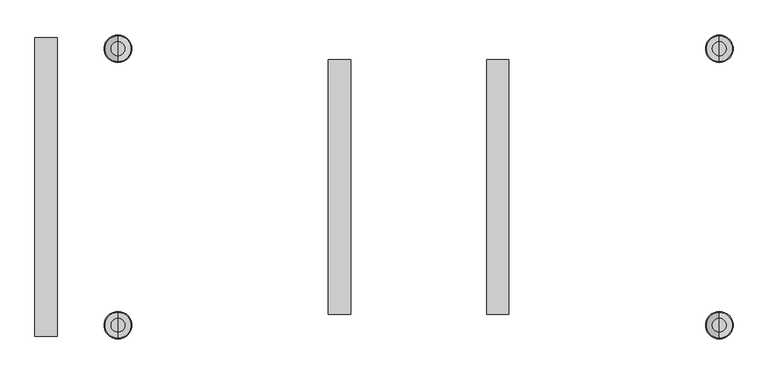
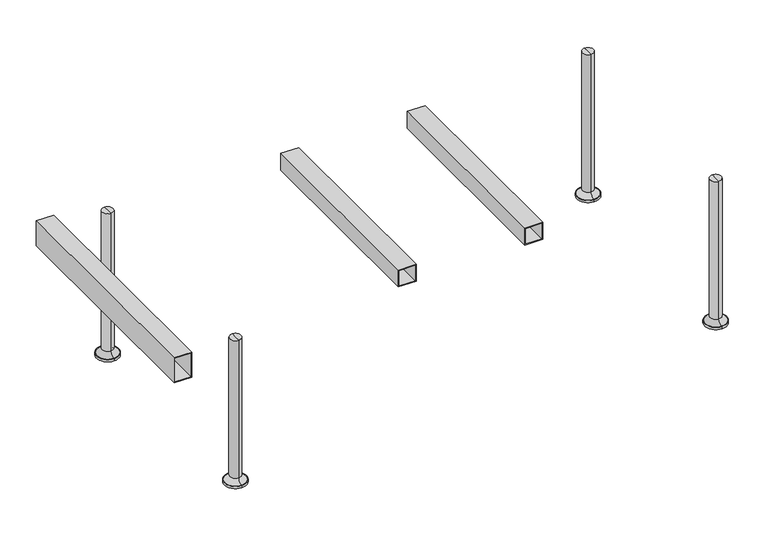
"""IFC4 building model written with IfcOpenShell, lengths in millimetres: furniture geometry."""

import ifcopenshell
import ifcopenshell.guid

model = None  # the IFC model being written
_history = None  # IfcOwnerHistory: only IFC2X3 demands one
_inside = {}  # id of a spatial element -> (the spatial element, [elements in it])
_under = {}  # id of a project, library or spatial element -> (it, [spatial elements below it])
_declared = {}  # id of a project -> (the project, [libraries it declares])
_typed = {}  # id of a type object -> (the type object, [elements of that type])
_made_of = {}  # id of a material, layer set ... -> (it, [elements and type objects made of it])


def new_model(schema):
    """Start an empty IFC model of exactly this schema.

    Asked for "IFC4X3", IfcOpenShell would pick the latest addendum, in which some entities
    have other attributes; the version numbers below select the first issue.
    IFC2X3 requires an IfcOwnerHistory on every rooted entity: one is made here for all.
    """
    global model, _history
    if schema == "IFC4X3":
        model = ifcopenshell.file(schema_version=(4, 3, 0, 0))
    else:
        model = ifcopenshell.file(schema=schema)
    _inside.clear()
    _under.clear()
    _declared.clear()
    _typed.clear()
    _made_of.clear()
    _history = None
    if model.schema == "IFC2X3":
        org = make("IfcOrganization", Name="unknown")
        user = make(
            "IfcPersonAndOrganization",
            ThePerson=make("IfcPerson", FamilyName="unknown"),
            TheOrganization=org,
        )
        app = make(
            "IfcApplication",
            ApplicationDeveloper=org,
            Version="unknown",
            ApplicationFullName="unknown",
            ApplicationIdentifier="unknown",
        )
        _history = make(
            "IfcOwnerHistory",
            OwningUser=user,
            OwningApplication=app,
            ChangeAction="ADDED",
            CreationDate=0,
        )
    return model


def make(cls, **values):
    """One entity of the class cls with the attributes given. An attribute that is None is left unset."""
    return model.create_entity(
        cls, **{name: value for name, value in values.items() if value is not None}
    )


def rooted(cls, **values):
    """An entity with a GlobalId (a new one), such as an element, a storey or a relation."""
    return make(cls, GlobalId=ifcopenshell.guid.new(), OwnerHistory=_history, **values)


def si_unit(unit_type, name, prefix=None):
    """IfcSIUnit, for example si_unit("LENGTHUNIT", "METRE", prefix="MILLI")."""
    return make("IfcSIUnit", UnitType=unit_type, Prefix=prefix, Name=name)


def assignment(units):
    """IfcUnitAssignment: the units of a project."""
    return None if units is None else make("IfcUnitAssignment", Units=units)


def point(xyz):
    """IfcCartesianPoint."""
    return None if xyz is None else make("IfcCartesianPoint", Coordinates=xyz)


def direction(xyz):
    """IfcDirection."""
    return None if xyz is None else make("IfcDirection", DirectionRatios=xyz)


def frame(location, z_axis=None, x_axis=None):
    """IfcAxis2Placement3D, a coordinate frame: its origin and axes. An axis left out is left unset."""
    return make(
        "IfcAxis2Placement3D",
        Location=point(location),
        Axis=direction(z_axis),
        RefDirection=direction(x_axis),
    )


def origin():
    """The frame at (0, 0, 0) with its axes left unset."""
    return frame((0.0, 0.0, 0.0))


def place(relative_to, where):
    """IfcLocalPlacement: puts the frame where relative to a parent placement (None: the world)."""
    return make(
        "IfcLocalPlacement", PlacementRelTo=relative_to, RelativePlacement=where
    )


def context(
    kind, dimensions, precision=None, world=None, true_north=None, identifier=None
):
    """IfcGeometricRepresentationContext, for example the 3D "Model" context."""
    return make(
        "IfcGeometricRepresentationContext",
        ContextIdentifier=identifier,
        ContextType=kind,
        CoordinateSpaceDimension=dimensions,
        Precision=precision,
        WorldCoordinateSystem=world,
        TrueNorth=true_north,
    )


def project(units=None, contexts=None):
    """IfcProject with its units and contexts."""
    return rooted(
        "IfcProject",
        Name="project",
        RepresentationContexts=contexts,
        UnitsInContext=assignment(units),
    )


def spatial(cls, under=None, at=None, **own):
    """A site, building, storey or space (cls), placed at a placement, below another one or the project."""
    s = rooted(cls, ObjectPlacement=at, **own)
    if under is not None:
        _under.setdefault(under.id(), (under, []))[1].append(s)
    return s


def polyline(points):
    """IfcPolyline through the points."""
    return make("IfcPolyline", Points=[point(p) for p in points])


def circle_curve(where, radius):
    """IfcCircle in the frame where."""
    return make("IfcCircle", Position=where, Radius=radius)


def ellipse_curve(where, semi_axis1, semi_axis2):
    """IfcEllipse in the frame where."""
    return make(
        "IfcEllipse", Position=where, SemiAxis1=semi_axis1, SemiAxis2=semi_axis2
    )


def trimmed(basis, trim1, trim2, sense, master):
    """IfcTrimmedCurve: the piece of a basis curve between two trims."""
    return make(
        "IfcTrimmedCurve",
        BasisCurve=basis,
        Trim1=trim1,
        Trim2=trim2,
        SenseAgreement=sense,
        MasterRepresentation=master,
    )


def outline(outer, holes=None, kind="AREA"):
    """IfcArbitraryClosedProfileDef: a profile drawn as a closed curve; with holes, ...WithVoids."""
    if holes is None:
        return make("IfcArbitraryClosedProfileDef", ProfileType=kind, OuterCurve=outer)
    return make(
        "IfcArbitraryProfileDefWithVoids",
        ProfileType=kind,
        OuterCurve=outer,
        InnerCurves=holes,
    )


def extrude(swept, where, along, depth):
    """IfcExtrudedAreaSolid: the profile swept, set in the frame where, extruded along a direction by depth."""
    return make(
        "IfcExtrudedAreaSolid",
        SweptArea=swept,
        Position=where,
        ExtrudedDirection=direction(along),
        Depth=depth,
    )


def shape(context_of_items, identifier, shape_type, items):
    """IfcShapeRepresentation: the items that make up one representation, for example the "Body"."""
    return make(
        "IfcShapeRepresentation",
        ContextOfItems=context_of_items,
        RepresentationIdentifier=identifier,
        RepresentationType=shape_type,
        Items=items,
    )


def source(mapping_origin, context_of_items, identifier, shape_type, items):
    """IfcRepresentationMap: a shape defined once, which mapped items show again and again."""
    return make(
        "IfcRepresentationMap",
        MappingOrigin=mapping_origin,
        MappedRepresentation=shape(context_of_items, identifier, shape_type, items),
    )


def transform(
    local_origin,
    x_axis=None,
    y_axis=None,
    z_axis=None,
    scale=None,
    scale2=None,
    scale3=None,
    uniform=True,
):
    """IfcCartesianTransformationOperator3D, or its non-uniform kind. x_axis, y_axis, z_axis: its Axis1, 2, 3."""
    if uniform:
        return make(
            "IfcCartesianTransformationOperator3D",
            Axis1=direction(x_axis),
            Axis2=direction(y_axis),
            LocalOrigin=point(local_origin),
            Scale=scale,
            Axis3=direction(z_axis),
        )
    return make(
        "IfcCartesianTransformationOperator3DnonUniform",
        Axis1=direction(x_axis),
        Axis2=direction(y_axis),
        LocalOrigin=point(local_origin),
        Scale=scale,
        Axis3=direction(z_axis),
        Scale2=scale2,
        Scale3=scale3,
    )


def mapped(mapping_source, mapping_target):
    """IfcMappedItem: shows the shape of a source again, moved by a transform."""
    return make(
        "IfcMappedItem", MappingSource=mapping_source, MappingTarget=mapping_target
    )


def made_of(thing, what):
    """Note that an element or type object is made of a material, layer set ...; save() writes the relation."""
    if what is not None:
        _made_of.setdefault(what.id(), (what, []))[1].append(thing)
    return thing


def element(
    cls,
    number,
    at=None,
    inside=None,
    cuts=None,
    type_object=None,
    material=None,
    context=None,
    identifier="Body",
    shape_type=None,
    held_by="IfcProductDefinitionShape",
    body=None,
    shapes=None,
    **own,
):
    """One element of the class cls, such as IfcWall. Its Tag is "e" and its number.

    at: its placement. inside: the storey or other place that contains it. cuts: it is an
    opening in that element (IfcRelVoidsElement). A single representation is given by context,
    identifier, shape_type and body (its items); several are given by shapes. held_by: the class
    of the entity that holds the representations. save() writes the other relations.
    """
    e = rooted(cls, Tag="e%d" % number, ObjectPlacement=at, **own)
    if body is not None:
        shapes = [shape(context, identifier, shape_type, body)]
    if shapes is not None:
        e.Representation = make(held_by, Representations=shapes)
    if inside is not None:
        _inside.setdefault(inside.id(), (inside, []))[1].append(e)
    if cuts is not None:
        rooted(
            "IfcRelVoidsElement", RelatingBuildingElement=cuts, RelatedOpeningElement=e
        )
    if type_object is not None:
        _typed.setdefault(type_object.id(), (type_object, []))[1].append(e)
    return made_of(e, material)


def aggregate(whole, parts):
    """IfcRelAggregates: a whole, such as a stair, and the parts it consists of."""
    return rooted("IfcRelAggregates", RelatingObject=whole, RelatedObjects=parts)


def save(model, path):
    """Write the relations noted so far, then the file.

    IfcRelAggregates (storeys below a building ...), IfcRelContainedInSpatialStructure (elements
    in a storey), IfcRelDefinesByType, IfcRelAssociatesMaterial and IfcRelDeclares: one each for
    every whole, place, type object, material and project.
    """
    for whole, parts in _under.values():
        aggregate(whole, parts)
    for where, things in _inside.values():
        rooted(
            "IfcRelContainedInSpatialStructure",
            RelatedElements=things,
            RelatingStructure=where,
        )
    for kind, things in _typed.values():
        rooted("IfcRelDefinesByType", RelatedObjects=things, RelatingType=kind)
    for what, things in _made_of.values():
        rooted("IfcRelAssociatesMaterial", RelatedObjects=things, RelatingMaterial=what)
    for by, libraries in _declared.values():
        rooted("IfcRelDeclares", RelatingContext=by, RelatedDefinitions=libraries)
    model.write(path)


def plane_surface(at):
    """IfcPlane: the flat surface through the origin of the frame at, square to its z axis."""
    return make("IfcPlane", Position=at)


def cylinder_surface(at, radius):
    """IfcCylindricalSurface: all points at the distance radius from the z axis of the frame at."""
    return make("IfcCylindricalSurface", Position=at, Radius=radius)


def revolved_surface(curve, axis_point, axis_direction):
    """IfcSurfaceOfRevolution: the curve turned about the line through axis_point along axis_direction."""
    return make(
        "IfcSurfaceOfRevolution",
        SweptCurve=make("IfcArbitraryOpenProfileDef", ProfileType="CURVE", Curve=curve),
        AxisPosition=make("IfcAxis1Placement", Location=point(axis_point), Axis=direction(axis_direction)),
    )


def advanced_brep(points, edges, surfaces, faces):
    """IfcAdvancedBrep: a solid bounded by faces that lie on surfaces and meet in shared edges.

    An edge is (start, end): straight between two places in points (the first is 0);
    or (start, end, curve); or (start, end, curve, False) where it runs against its curve.
    A face is (place in surfaces, loops), or (place, loops, False) where it looks against
    its surface's normal. A loop lists edges by number (the first is 1), with a minus sign
    where the edge is run from its end to its start. The first loop is the outer one.
    """
    corners = [point(p) for p in points]
    vertices = [make("IfcVertexPoint", VertexGeometry=c) for c in corners]
    made = []
    for start, end, *more in edges:
        made.append(
            make(
                "IfcEdgeCurve",
                EdgeStart=vertices[start],
                EdgeEnd=vertices[end],
                EdgeGeometry=more[0] if more else make("IfcPolyline", Points=[corners[start], corners[end]]),
                SameSense=more[1] if len(more) > 1 else True,
            )
        )
    hull = []
    for where, loops, *sense in faces:
        bounds = []
        for j, loop in enumerate(loops):
            ring = [make("IfcOrientedEdge", EdgeElement=made[abs(k) - 1], Orientation=k > 0) for k in loop]
            bounds.append(
                make(
                    "IfcFaceOuterBound" if j == 0 else "IfcFaceBound",
                    Bound=make("IfcEdgeLoop", EdgeList=ring),
                    Orientation=True,
                )
            )
        hull.append(make("IfcAdvancedFace", Bounds=bounds, FaceSurface=surfaces[where], SameSense=sense[0] if sense else True))
    return make("IfcAdvancedBrep", Outer=make("IfcClosedShell", CfsFaces=hull))


def furniture_4db3d3c2(model_context):
    return source(origin(), model_context, "Body", "SolidModel", [
        extrude(outline(polyline([(359.922434, 122.9958276), (319.6891771, 122.9958276), (319.6891771, 162.9896436), (359.922434, 162.9896436), (359.922434, 122.9958276)]), holes=[polyline([(321.6754606, 160.9701256), (321.6754606, 124.9814439), (357.9224338, 124.9814439), (357.9224338, 160.9701256), (321.6754606, 160.9701256)])]), frame((0.0, -229.9999925, 0.0), z_axis=(0.0, 1.0, 0.0), x_axis=(0.0, 0.0, 1.0)), (0.0, 0.0, 1.0), 459.9999981),
        extrude(outline(polyline([(359.922434, -122.9958276), (359.922434, -162.9896436), (319.6891771, -162.9896436), (319.6891771, -122.9958276), (359.922434, -122.9958276)]), holes=[polyline([(321.6754606, -160.9701256), (357.9224338, -160.9701256), (357.9224338, -124.9814439), (321.6754606, -124.9814439), (321.6754606, -160.9701256)])]), frame((0.0, -229.9999925, 0.0), z_axis=(0.0, 1.0, 0.0), x_axis=(0.0, 0.0, 1.0)), (0.0, 0.0, 1.0), 459.9999981),
        extrude(outline(polyline([(359.922434, -652.9916052), (359.922434, -692.9854212), (299.9223263, -692.9854212), (299.9223263, -652.9916052), (359.922434, -652.9916052)]), holes=[polyline([(301.9086098, -690.9659032), (357.9224338, -690.9659032), (357.9224338, -654.9772215), (301.9086098, -654.9772215), (301.9086098, -690.9659032)])]), frame((0.0, -269.9999939, 0.0), z_axis=(0.0, 1.0, 0.0), x_axis=(0.0, 0.0, 1.0)), (0.0, 0.0, 1.0), 540.0),
        advanced_brep(
        [(542.9813638, 275.0000031, 0.0), (542.9813638, 225.0000031, 0.0), (542.9813638, 250.0000031, 0.0), (542.9813638, 250.0000031, 344.8637637), (542.9813638, 237.5284391, 344.8637637), (542.9813638, 262.4715672, 344.8637637), (542.9813638, 237.5284391, 16.2604994), (542.9813638, 262.4715672, 16.2604994), (542.9813638, 226.770535, 5.5025953), (542.9813638, 273.2294713, 5.5025953), (542.9813638, 225.0000031, 5.5025953), (542.9813638, 275.0000031, 5.5025953)],
        [
            (0, 1, circle_curve(frame((542.9813638, 250.0000031, 0.0), z_axis=(0.0, 0.0, -1.0), x_axis=(0.0, -1.0, 0.0)), 25.0)),
            (1, 2),
            (2, 0),
            (1, 0, circle_curve(frame((542.9813638, 250.0000031, 0.0), z_axis=(0.0, 0.0, -1.0), x_axis=(0.0, -1.0, 0.0)), 25.0)),
            (3, 4),
            (4, 5, circle_curve(frame((542.9813638, 250.0000031, 344.8637637), z_axis=(0.0, 0.0, 1.0), x_axis=(0.0, -1.0, 0.0)), 12.471564)),
            (5, 3),
            (5, 4, circle_curve(frame((542.9813638, 250.0000031, 344.8637637), z_axis=(0.0, 0.0, 1.0), x_axis=(0.0, -1.0, 0.0)), 12.471564)),
            (4, 6),
            (6, 7, circle_curve(frame((542.9813638, 250.0000031, 16.2604994), z_axis=(0.0, 0.0, 1.0), x_axis=(0.0, -1.0, 0.0)), 12.471564)),
            (7, 5),
            (7, 6, circle_curve(frame((542.9813638, 250.0000031, 16.2604994), z_axis=(0.0, 0.0, 1.0), x_axis=(0.0, -1.0, 0.0)), 12.471564)),
            (6, 8, circle_curve(frame((542.9813638, 226.770535, 16.2604994), z_axis=(-1.0, 0.0, 0.0), x_axis=(0.0, -1.0, 0.0)), 10.7579041)),
            (8, 9, circle_curve(frame((542.9813638, 250.0000031, 5.5025953), z_axis=(0.0, 0.0, 1.0), x_axis=(0.0, -1.0, 0.0)), 23.2294681)),
            (9, 7, circle_curve(frame((542.9813638, 273.2294713, 16.2604994), z_axis=(-1.0, 0.0, 0.0), x_axis=(0.0, 1.0, 0.0)), 10.7579041)),
            (9, 8, circle_curve(frame((542.9813638, 250.0000031, 5.5025953), z_axis=(0.0, 0.0, 1.0), x_axis=(0.0, -1.0, 0.0)), 23.2294681)),
            (8, 10),
            (10, 11, circle_curve(frame((542.9813638, 250.0000031, 5.5025953), z_axis=(0.0, 0.0, 1.0), x_axis=(0.0, -1.0, 0.0)), 25.0)),
            (11, 9),
            (11, 10, circle_curve(frame((542.9813638, 250.0000031, 5.5025953), z_axis=(0.0, 0.0, 1.0), x_axis=(0.0, -1.0, 0.0)), 25.0)),
            (10, 1),
            (0, 11),
        ],
        [
            plane_surface(frame((542.9813638, 250.0000031, 0.0), z_axis=(0.0, 0.0, -1.0), x_axis=(0.0, -1.0, 0.0))),
            plane_surface(frame((542.9813638, 250.0000031, 344.8637637), z_axis=(0.0, 0.0, 1.0), x_axis=(0.0, -1.0, 0.0))),
            cylinder_surface(frame((542.9813638, 250.0000031, 344.8637637), z_axis=(0.0, 0.0, 1.0), x_axis=(0.0, -1.0, 0.0)), 12.471564),
            revolved_surface(trimmed(ellipse_curve(frame((542.9813638, 226.770535, 16.2604994), z_axis=(1.0, 0.0, 0.0), x_axis=(0.0, -1.0, 0.0)), 10.7579041, 10.7579041), [point((542.9813638, 226.770535, 5.5025953))], [point((542.9813638, 237.5284391, 16.2604994))], True, "CARTESIAN"), (542.9813638, 250.0000031, 344.8637637), (0.0, 0.0, 1.0)),
            plane_surface(frame((542.9813638, 250.0000031, 5.5025953), z_axis=(0.0, 0.0, 1.0), x_axis=(0.0, -1.0, 0.0))),
            cylinder_surface(frame((542.9813638, 250.0000031, 344.8637637), z_axis=(0.0, 0.0, 1.0), x_axis=(0.0, -1.0, 0.0)), 25.0),
        ],
        [
            (0, [[1, 2, 3]]),
            (0, [[4, -3, -2]]),
            (1, [[5, 6, 7]]),
            (1, [[-7, 8, -5]]),
            (2, [[-6, 9, 10, 11]]),
            (2, [[-8, -11, 12, -9]]),
            (3, [[-10, 13, 14, 15]]),
            (3, [[-12, -15, 16, -13]]),
            (4, [[-14, 17, 18, 19]]),
            (4, [[-16, -19, 20, -17]]),
            (5, [[-18, 21, -1, 22]]),
            (5, [[-20, -22, -4, -21]]),
        ],
    ),
        advanced_brep(
        [(542.9813638, -250.0000031, 0.0), (542.9813638, -225.0000031, 0.0), (542.9813638, -275.0000031, 0.0), (542.9813638, -262.4715672, 344.8637637), (542.9813638, -237.5284391, 344.8637637), (542.9813638, -250.0000031, 344.8637637), (542.9813638, -262.4715672, 16.2604994), (542.9813638, -237.5284391, 16.2604994), (542.9813638, -273.2294713, 5.5025953), (542.9813638, -226.770535, 5.5025953), (542.9813638, -275.0000031, 5.5025953), (542.9813638, -225.0000031, 5.5025953)],
        [
            (0, 1),
            (1, 2, circle_curve(frame((542.9813638, -250.0000031, 0.0), z_axis=(0.0, 0.0, -1.0), x_axis=(0.0, 1.0, 0.0)), 25.0)),
            (2, 0),
            (2, 1, circle_curve(frame((542.9813638, -250.0000031, 0.0), z_axis=(0.0, 0.0, -1.0), x_axis=(0.0, 1.0, 0.0)), 25.0)),
            (3, 4, circle_curve(frame((542.9813638, -250.0000031, 344.8637637), z_axis=(0.0, 0.0, 1.0), x_axis=(0.0, 1.0, 0.0)), 12.471564)),
            (4, 5),
            (5, 3),
            (4, 3, circle_curve(frame((542.9813638, -250.0000031, 344.8637637), z_axis=(0.0, 0.0, 1.0), x_axis=(0.0, 1.0, 0.0)), 12.471564)),
            (6, 7, circle_curve(frame((542.9813638, -250.0000031, 16.2604994), z_axis=(0.0, 0.0, 1.0), x_axis=(0.0, 1.0, 0.0)), 12.471564)),
            (7, 4),
            (3, 6),
            (7, 6, circle_curve(frame((542.9813638, -250.0000031, 16.2604994), z_axis=(0.0, 0.0, 1.0), x_axis=(0.0, 1.0, 0.0)), 12.471564)),
            (8, 9, circle_curve(frame((542.9813638, -250.0000031, 5.5025953), z_axis=(0.0, 0.0, 1.0), x_axis=(0.0, 1.0, 0.0)), 23.2294681)),
            (9, 7, circle_curve(frame((542.9813638, -226.770535, 16.2604994), z_axis=(-1.0, 0.0, 0.0), x_axis=(0.0, 1.0, 0.0)), 10.7579041)),
            (6, 8, circle_curve(frame((542.9813638, -273.2294713, 16.2604994), z_axis=(-1.0, 0.0, 0.0), x_axis=(0.0, -1.0, 0.0)), 10.7579041)),
            (9, 8, circle_curve(frame((542.9813638, -250.0000031, 5.5025953), z_axis=(0.0, 0.0, 1.0), x_axis=(0.0, 1.0, 0.0)), 23.2294681)),
            (10, 11, circle_curve(frame((542.9813638, -250.0000031, 5.5025953), z_axis=(0.0, 0.0, 1.0), x_axis=(0.0, 1.0, 0.0)), 25.0)),
            (11, 9),
            (8, 10),
            (11, 10, circle_curve(frame((542.9813638, -250.0000031, 5.5025953), z_axis=(0.0, 0.0, 1.0), x_axis=(0.0, 1.0, 0.0)), 25.0)),
            (1, 11),
            (10, 2),
        ],
        [
            plane_surface(frame((542.9813638, -250.0000031, 0.0), z_axis=(0.0, 0.0, -1.0), x_axis=(0.0, 1.0, 0.0))),
            plane_surface(frame((542.9813638, -250.0000031, 344.8637637), z_axis=(0.0, 0.0, 1.0), x_axis=(0.0, 1.0, 0.0))),
            cylinder_surface(frame((542.9813638, -250.0000031, 344.8637637), z_axis=(0.0, 0.0, -1.0), x_axis=(0.0, 1.0, 0.0)), 12.471564),
            revolved_surface(trimmed(ellipse_curve(frame((542.9813638, -226.770535, 16.2604994), z_axis=(1.0, 0.0, 0.0), x_axis=(0.0, 1.0, 0.0)), 10.7579041, 10.7579041), [point((542.9813638, -237.5284391, 16.2604994))], [point((542.9813638, -226.770535, 5.5025953))], True, "CARTESIAN"), (542.9813638, -250.0000031, 344.8637637), (0.0, 0.0, -1.0)),
            plane_surface(frame((542.9813638, -250.0000031, 5.5025953), z_axis=(0.0, 0.0, 1.0), x_axis=(0.0, 1.0, 0.0))),
            cylinder_surface(frame((542.9813638, -250.0000031, 344.8637637), z_axis=(0.0, 0.0, -1.0), x_axis=(0.0, 1.0, 0.0)), 25.0),
        ],
        [
            (0, [[1, 2, 3]]),
            (0, [[-3, 4, -1]]),
            (1, [[5, 6, 7]]),
            (1, [[8, -7, -6]]),
            (2, [[9, 10, -5, 11]]),
            (2, [[12, -11, -8, -10]]),
            (3, [[13, 14, -9, 15]]),
            (3, [[16, -15, -12, -14]]),
            (4, [[17, 18, -13, 19]]),
            (4, [[20, -19, -16, -18]]),
            (5, [[-2, 21, -17, 22]]),
            (5, [[-4, -22, -20, -21]]),
        ],
    ),
        advanced_brep(
        [(-542.9813638, -275.0000031, 0.0), (-542.9813638, -225.0000031, 0.0), (-542.9813638, -250.0000031, 0.0), (-542.9813638, -250.0000031, 344.8637637), (-542.9813638, -237.5284391, 344.8637637), (-542.9813638, -262.4715672, 344.8637637), (-542.9813638, -237.5284391, 16.2604994), (-542.9813638, -262.4715672, 16.2604994), (-542.9813638, -226.770535, 5.5025953), (-542.9813638, -273.2294713, 5.5025953), (-542.9813638, -225.0000031, 5.5025953), (-542.9813638, -275.0000031, 5.5025953)],
        [
            (0, 1, circle_curve(frame((-542.9813638, -250.0000031, 0.0), z_axis=(0.0, 0.0, -1.0), x_axis=(0.0, 1.0, 0.0)), 25.0)),
            (1, 2),
            (2, 0),
            (1, 0, circle_curve(frame((-542.9813638, -250.0000031, 0.0), z_axis=(0.0, 0.0, -1.0), x_axis=(0.0, 1.0, 0.0)), 25.0)),
            (3, 4),
            (4, 5, circle_curve(frame((-542.9813638, -250.0000031, 344.8637637), z_axis=(0.0, 0.0, 1.0), x_axis=(0.0, 1.0, 0.0)), 12.471564)),
            (5, 3),
            (5, 4, circle_curve(frame((-542.9813638, -250.0000031, 344.8637637), z_axis=(0.0, 0.0, 1.0), x_axis=(0.0, 1.0, 0.0)), 12.471564)),
            (4, 6),
            (6, 7, circle_curve(frame((-542.9813638, -250.0000031, 16.2604994), z_axis=(0.0, 0.0, 1.0), x_axis=(0.0, 1.0, 0.0)), 12.471564)),
            (7, 5),
            (7, 6, circle_curve(frame((-542.9813638, -250.0000031, 16.2604994), z_axis=(0.0, 0.0, 1.0), x_axis=(0.0, 1.0, 0.0)), 12.471564)),
            (6, 8, circle_curve(frame((-542.9813638, -226.770535, 16.2604994), z_axis=(1.0, 0.0, 0.0), x_axis=(0.0, 1.0, 0.0)), 10.7579041)),
            (8, 9, circle_curve(frame((-542.9813638, -250.0000031, 5.5025953), z_axis=(0.0, 0.0, 1.0), x_axis=(0.0, 1.0, 0.0)), 23.2294681)),
            (9, 7, circle_curve(frame((-542.9813638, -273.2294713, 16.2604994), z_axis=(1.0, 0.0, 0.0), x_axis=(0.0, -1.0, 0.0)), 10.7579041)),
            (9, 8, circle_curve(frame((-542.9813638, -250.0000031, 5.5025953), z_axis=(0.0, 0.0, 1.0), x_axis=(0.0, 1.0, 0.0)), 23.2294681)),
            (8, 10),
            (10, 11, circle_curve(frame((-542.9813638, -250.0000031, 5.5025953), z_axis=(0.0, 0.0, 1.0), x_axis=(0.0, 1.0, 0.0)), 25.0)),
            (11, 9),
            (11, 10, circle_curve(frame((-542.9813638, -250.0000031, 5.5025953), z_axis=(0.0, 0.0, 1.0), x_axis=(0.0, 1.0, 0.0)), 25.0)),
            (10, 1),
            (0, 11),
        ],
        [
            plane_surface(frame((-542.9813638, -250.0000031, 0.0), z_axis=(0.0, 0.0, -1.0), x_axis=(0.0, 1.0, 0.0))),
            plane_surface(frame((-542.9813638, -250.0000031, 344.8637637), z_axis=(0.0, 0.0, 1.0), x_axis=(0.0, 1.0, 0.0))),
            cylinder_surface(frame((-542.9813638, -250.0000031, 344.8637637), z_axis=(0.0, 0.0, 1.0), x_axis=(0.0, 1.0, 0.0)), 12.471564),
            revolved_surface(trimmed(ellipse_curve(frame((-542.9813638, -226.770535, 16.2604994), z_axis=(-1.0, 0.0, 0.0), x_axis=(0.0, 1.0, 0.0)), 10.7579041, 10.7579041), [point((-542.9813638, -226.770535, 5.5025953))], [point((-542.9813638, -237.5284391, 16.2604994))], True, "CARTESIAN"), (-542.9813638, -250.0000031, 344.8637637), (0.0, 0.0, 1.0)),
            plane_surface(frame((-542.9813638, -250.0000031, 5.5025953), z_axis=(0.0, 0.0, 1.0), x_axis=(0.0, 1.0, 0.0))),
            cylinder_surface(frame((-542.9813638, -250.0000031, 344.8637637), z_axis=(0.0, 0.0, 1.0), x_axis=(0.0, 1.0, 0.0)), 25.0),
        ],
        [
            (0, [[1, 2, 3]]),
            (0, [[4, -3, -2]]),
            (1, [[5, 6, 7]]),
            (1, [[-7, 8, -5]]),
            (2, [[-6, 9, 10, 11]]),
            (2, [[-8, -11, 12, -9]]),
            (3, [[-10, 13, 14, 15]]),
            (3, [[-12, -15, 16, -13]]),
            (4, [[-14, 17, 18, 19]]),
            (4, [[-16, -19, 20, -17]]),
            (5, [[-18, 21, -1, 22]]),
            (5, [[-20, -22, -4, -21]]),
        ],
    ),
        advanced_brep(
        [(-542.9813638, 250.0000031, 0.0), (-542.9813638, 225.0000031, 0.0), (-542.9813638, 275.0000031, 0.0), (-542.9813638, 262.4715672, 344.8637637), (-542.9813638, 237.5284391, 344.8637637), (-542.9813638, 250.0000031, 344.8637637), (-542.9813638, 262.4715672, 16.2604994), (-542.9813638, 237.5284391, 16.2604994), (-542.9813638, 273.2294713, 5.5025953), (-542.9813638, 226.770535, 5.5025953), (-542.9813638, 275.0000031, 5.5025953), (-542.9813638, 225.0000031, 5.5025953)],
        [
            (0, 1),
            (1, 2, circle_curve(frame((-542.9813638, 250.0000031, 0.0), z_axis=(0.0, 0.0, -1.0), x_axis=(0.0, -1.0, 0.0)), 25.0)),
            (2, 0),
            (2, 1, circle_curve(frame((-542.9813638, 250.0000031, 0.0), z_axis=(0.0, 0.0, -1.0), x_axis=(0.0, -1.0, 0.0)), 25.0)),
            (3, 4, circle_curve(frame((-542.9813638, 250.0000031, 344.8637637), z_axis=(0.0, 0.0, 1.0), x_axis=(0.0, -1.0, 0.0)), 12.471564)),
            (4, 5),
            (5, 3),
            (4, 3, circle_curve(frame((-542.9813638, 250.0000031, 344.8637637), z_axis=(0.0, 0.0, 1.0), x_axis=(0.0, -1.0, 0.0)), 12.471564)),
            (6, 7, circle_curve(frame((-542.9813638, 250.0000031, 16.2604994), z_axis=(0.0, 0.0, 1.0), x_axis=(0.0, -1.0, 0.0)), 12.471564)),
            (7, 4),
            (3, 6),
            (7, 6, circle_curve(frame((-542.9813638, 250.0000031, 16.2604994), z_axis=(0.0, 0.0, 1.0), x_axis=(0.0, -1.0, 0.0)), 12.471564)),
            (8, 9, circle_curve(frame((-542.9813638, 250.0000031, 5.5025953), z_axis=(0.0, 0.0, 1.0), x_axis=(0.0, -1.0, 0.0)), 23.2294681)),
            (9, 7, circle_curve(frame((-542.9813638, 226.770535, 16.2604994), z_axis=(1.0, 0.0, 0.0), x_axis=(0.0, -1.0, 0.0)), 10.7579041)),
            (6, 8, circle_curve(frame((-542.9813638, 273.2294713, 16.2604994), z_axis=(1.0, 0.0, 0.0), x_axis=(0.0, 1.0, 0.0)), 10.7579041)),
            (9, 8, circle_curve(frame((-542.9813638, 250.0000031, 5.5025953), z_axis=(0.0, 0.0, 1.0), x_axis=(0.0, -1.0, 0.0)), 23.2294681)),
            (10, 11, circle_curve(frame((-542.9813638, 250.0000031, 5.5025953), z_axis=(0.0, 0.0, 1.0), x_axis=(0.0, -1.0, 0.0)), 25.0)),
            (11, 9),
            (8, 10),
            (11, 10, circle_curve(frame((-542.9813638, 250.0000031, 5.5025953), z_axis=(0.0, 0.0, 1.0), x_axis=(0.0, -1.0, 0.0)), 25.0)),
            (1, 11),
            (10, 2),
        ],
        [
            plane_surface(frame((-542.9813638, 250.0000031, 0.0), z_axis=(0.0, 0.0, -1.0), x_axis=(0.0, -1.0, 0.0))),
            plane_surface(frame((-542.9813638, 250.0000031, 344.8637637), z_axis=(0.0, 0.0, 1.0), x_axis=(0.0, -1.0, 0.0))),
            cylinder_surface(frame((-542.9813638, 250.0000031, 344.8637637), z_axis=(0.0, 0.0, -1.0), x_axis=(0.0, -1.0, 0.0)), 12.471564),
            revolved_surface(trimmed(ellipse_curve(frame((-542.9813638, 226.770535, 16.2604994), z_axis=(-1.0, 0.0, 0.0), x_axis=(0.0, -1.0, 0.0)), 10.7579041, 10.7579041), [point((-542.9813638, 237.5284391, 16.2604994))], [point((-542.9813638, 226.770535, 5.5025953))], True, "CARTESIAN"), (-542.9813638, 250.0000031, 344.8637637), (0.0, 0.0, -1.0)),
            plane_surface(frame((-542.9813638, 250.0000031, 5.5025953), z_axis=(0.0, 0.0, 1.0), x_axis=(0.0, -1.0, 0.0))),
            cylinder_surface(frame((-542.9813638, 250.0000031, 344.8637637), z_axis=(0.0, 0.0, -1.0), x_axis=(0.0, -1.0, 0.0)), 25.0),
        ],
        [
            (0, [[1, 2, 3]]),
            (0, [[-3, 4, -1]]),
            (1, [[5, 6, 7]]),
            (1, [[8, -7, -6]]),
            (2, [[9, 10, -5, 11]]),
            (2, [[12, -11, -8, -10]]),
            (3, [[13, 14, -9, 15]]),
            (3, [[16, -15, -12, -14]]),
            (4, [[17, 18, -13, 19]]),
            (4, [[20, -19, -16, -18]]),
            (5, [[-2, 21, -17, 22]]),
            (5, [[-4, -22, -20, -21]]),
        ],
    ),
    ])


if __name__ == "__main__":
    model = new_model("IFC4")
    model_context = context("Model", 3, world=origin())
    ifc_project = project(units=[si_unit("LENGTHUNIT", "METRE", prefix="MILLI")], contexts=[model_context])
    site = spatial("IfcSite", under=ifc_project)
    building = spatial("IfcBuilding", under=site)
    placement = place(None, origin())
    furniture_shape = furniture_4db3d3c2(model_context)
    element("IfcFurniture", 1, at=placement, inside=building, context=model_context, shape_type="MappedRepresentation", body=[
        mapped(furniture_shape, transform((0.0, 0.0, 0.0), x_axis=(1.0, 0.0, 0.0), y_axis=(0.0, 1.0, 0.0), z_axis=(0.0, 0.0, 1.0))),
    ])
    save(model, "model.ifc")
